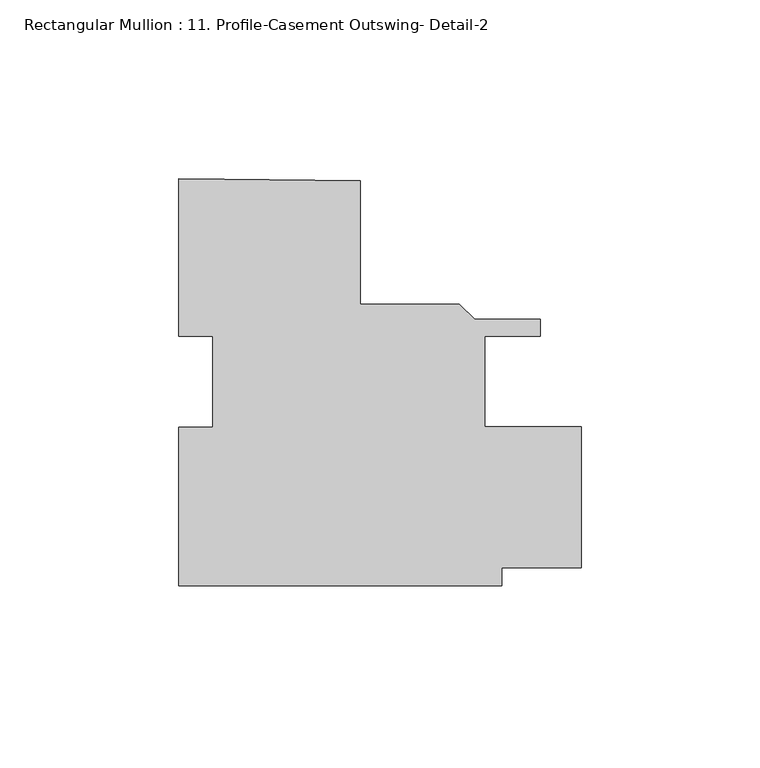
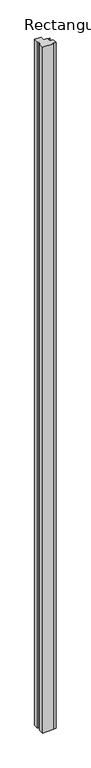
"""IFC4 building model written with IfcOpenShell, lengths in millimetres: member geometry, Rectangular Mullion : 11. Profile-Casement Outswing- Detail-2."""

from ifc_helpers import new_model, si_unit, frame, origin, place, context, project, spatial, polyline, outline, extrude, source, transform, mapped, element, save


def rectangular_mullion_11_profile_casement_outswing_detail_2_8664ec8c(model_context):
    return source(origin(), model_context, "Body", "SweptSolid", [
        extrude(outline(polyline([(-25.3927984, -57.2015023), (-25.3927984, -12.8065685), (-15.8683404, -12.8065685), (-15.8683404, 12.6811299), (-25.3873907, 12.6811299), (-25.3873907, 56.7833795), (25.4257151, 56.114199), (25.4257151, 21.614677), (53.2081011, 21.614677), (57.4753011, 17.347477), (75.8578089, 17.347477), (75.8578089, 12.6484768), (60.3507151, 12.6484768), (60.3507151, -12.751523), (87.3441592, -12.751523), (87.3441592, -52.121523), (65.1191593, -52.121523), (65.1191593, -57.2015023), (-25.3927984, -57.2015023)])), frame((0.0, 0.0, -5983.2875), z_axis=(0.0, 0.0, 1.0), x_axis=(1.0, 0.0, 0.0)), (0.0, 0.0, 1.0), 5983.2875),
    ])


if __name__ == "__main__":
    model = new_model("IFC4")
    model_context = context("Model", 3, world=origin())
    ifc_project = project(units=[si_unit("LENGTHUNIT", "METRE", prefix="MILLI")], contexts=[model_context])
    site = spatial("IfcSite", under=ifc_project)
    building = spatial("IfcBuilding", under=site)
    placement = place(None, origin())
    rectangular_mullion_11_profile_casement_outswing_detail_2_shape = rectangular_mullion_11_profile_casement_outswing_detail_2_8664ec8c(model_context)
    element("IfcMember", 1, ObjectType="Rectangular Mullion : 11. Profile-Casement Outswing- Detail-2", at=placement, inside=building, context=model_context, shape_type="MappedRepresentation", body=[
        mapped(rectangular_mullion_11_profile_casement_outswing_detail_2_shape, transform((0.0, 0.0, 0.0), x_axis=(1.0, 0.0, 0.0), y_axis=(0.0, 1.0, 0.0), z_axis=(0.0, 0.0, 1.0))),
    ])
    save(model, "model.ifc")
